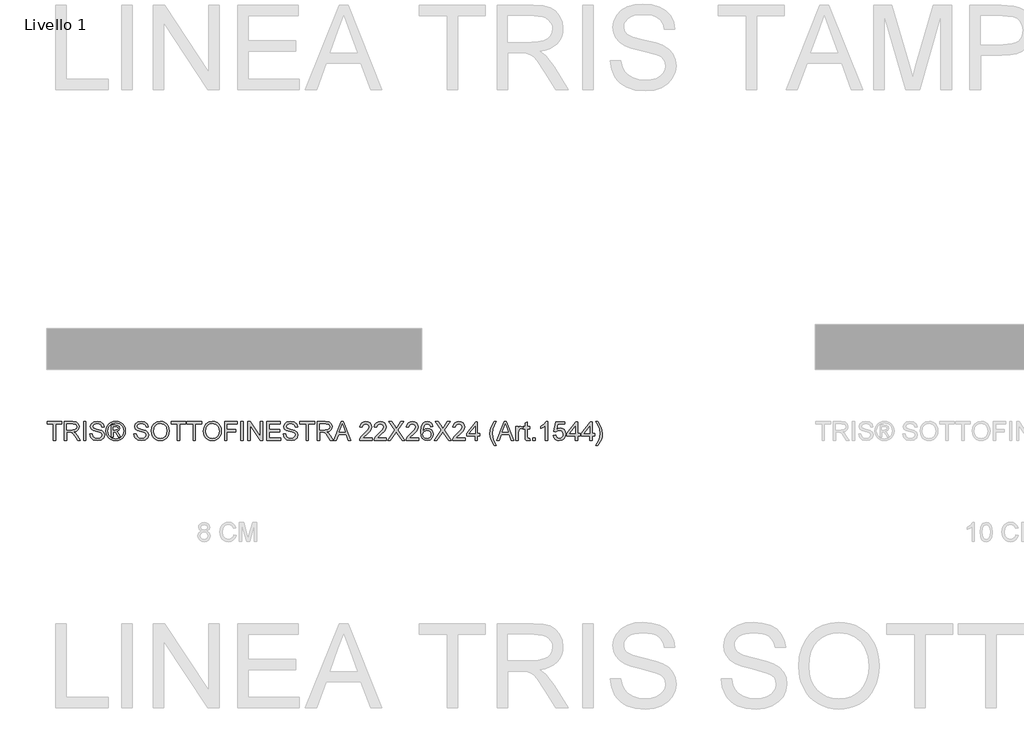
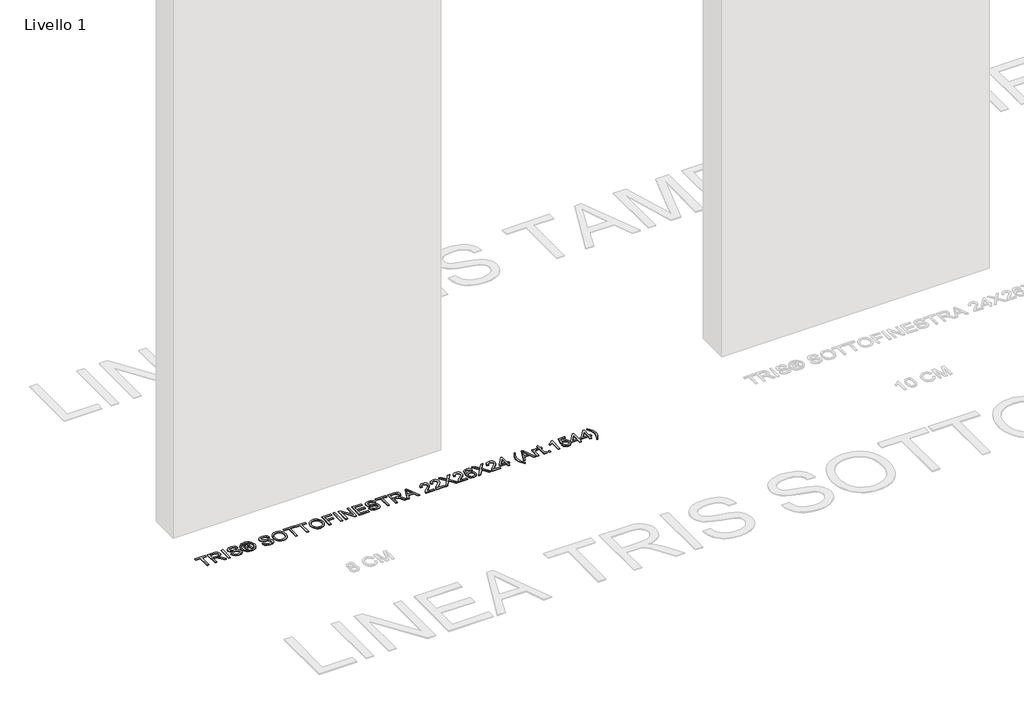
# One storey, part 5 of 16: 1 proxy.
"""IFC4 building model written with IfcOpenShell, lengths in millimetres."""

from ifc_helpers import new_model, si_unit, origin, origin_with_axes, place, context, project, spatial, polyline, outline, extrude, element, save

model = new_model("IFC4")

# Units and contexts
model_context = context("Model", 3, world=origin())
ifc_project = project(units=[si_unit("LENGTHUNIT", "METRE", prefix="MILLI")], contexts=[model_context])

# Site, building, storey
site = spatial("IfcSite", under=ifc_project)
building = spatial("IfcBuilding", under=site)
storey = spatial("IfcBuildingStorey", under=building, Name="Livello 1", Elevation=0.0)

# Proxy
placement = place(None, origin())
element("IfcBuildingElementProxy", 1, Name="100", ObjectType="100", at=placement, inside=storey, context=model_context, shape_type="SweptSolid", body=[
    extrude(outline(polyline([(-5574.7353997, 1459.0708569), (-5574.7353997, 1546.9701283), (-5607.6976265, 1546.9701283), (-5607.6976265, 1559.527167), (-5529.2161342, 1559.527167), (-5529.2161342, 1546.9701283), (-5562.1783609, 1546.9701283), (-5562.1783609, 1459.0708569), (-5574.7353997, 1459.0708569)])), origin_with_axes(), (0.0, 0.0, 1.0), 5.0),
    extrude(outline(polyline([(-5515.0894655, 1459.0708569), (-5515.0894655, 1559.527167), (-5471.8020174, 1559.527167), (-5451.7033978, 1556.817103), (-5440.7159888, 1547.2276457), (-5436.6079732, 1532.0341193), (-5438.3094275, 1522.1380936), (-5443.4137901, 1513.9343251), (-5452.0743454, 1507.9194545), (-5464.4443775, 1504.5901224), (-5457.3074668, 1499.2190453), (-5447.1293983, 1486.2941245), (-5430.3785048, 1459.0708569), (-5444.9711573, 1459.0708569), (-5458.0432308, 1479.8929778), (-5467.4855354, 1493.6762899), (-5474.119674, 1500.1878012), (-5480.0916251, 1502.5790342), (-5487.3756886, 1503.0204926), (-5502.5324268, 1503.0204926), (-5502.5324268, 1459.0708569), (-5515.0894655, 1459.0708569)]), holes=[polyline([(-5502.5324268, 1515.5775314), (-5474.4262423, 1515.5775314), (-5460.0911073, 1517.3556277), (-5451.9486524, 1523.0455359), (-5449.165012, 1531.5681354), (-5454.4747755, 1542.6291207), (-5471.2624572, 1546.9701283), (-5502.5324268, 1546.9701283), (-5502.5324268, 1515.5775314)])]), origin_with_axes(), (0.0, 0.0, 1.0), 5.0),
    extrude(outline(polyline([(-5413.0635255, 1459.0708569), (-5413.0635255, 1559.527167), (-5400.5064868, 1559.527167), (-5400.5064868, 1459.0708569), (-5413.0635255, 1459.0708569)])), origin_with_axes(), (0.0, 0.0, 1.0), 5.0),
    extrude(outline(polyline([(-5380.1012988, 1493.6027135), (-5367.54426, 1493.6027135), (-5363.4975581, 1481.033412), (-5353.6137951, 1473.0871609), (-5338.5551588, 1470.0582658), (-5325.4340343, 1472.3513969), (-5316.9604857, 1478.6544418), (-5314.1768452, 1487.0789395), (-5316.2615099, 1494.914826), (-5324.7963722, 1500.6169969), (-5343.0801073, 1505.4117256), (-5362.7617941, 1511.6044058), (-5373.4426347, 1520.9486085), (-5376.9620391, 1533.4320709), (-5372.6087688, 1547.6445786), (-5359.8923145, 1557.6754943), (-5341.2774856, 1561.0967969), (-5321.4118578, 1557.5160788), (-5308.168106, 1546.9946537), (-5303.1894363, 1531.2738298), (-5315.7464751, 1531.2738298), (-5318.0518689, 1538.7663598), (-5322.8588603, 1544.1742251), (-5340.7869762, 1548.5397581), (-5358.7641431, 1544.2232761), (-5364.4050003, 1533.7999529), (-5360.4073493, 1525.0934123), (-5339.9040594, 1518.0791289), (-5317.6839869, 1511.7760841), (-5305.5316184, 1501.5980155), (-5301.6198065, 1487.3977705), (-5306.1202295, 1472.3759224), (-5319.0696758, 1461.4130389), (-5338.0646495, 1457.5012271), (-5360.4931884, 1461.7196073), (-5374.6811707, 1474.4237988), (-5380.1012988, 1493.6027135)])), origin_with_axes(), (0.0, 0.0, 1.0), 5.0),
    extrude(outline(polyline([(-5265.51832, 1477.9064151), (-5265.51832, 1540.6916089), (-5245.2357593, 1540.6916089), (-5230.177123, 1538.9625635), (-5222.7581694, 1532.9292988), (-5219.9990545, 1523.7690371), (-5224.7569949, 1511.8496605), (-5237.3630846, 1506.1597523), (-5232.4579914, 1502.8242889), (-5223.8986036, 1490.2917756), (-5216.8597948, 1477.9064151), (-5227.4547962, 1477.9064151), (-5232.9730262, 1487.8637544), (-5242.219127, 1502.2847286), (-5250.2389545, 1504.5901224), (-5256.1005409, 1504.5901224), (-5256.1005409, 1477.9064151), (-5265.51832, 1477.9064151)]), holes=[polyline([(-5256.1005409, 1514.0079015), (-5244.1811643, 1514.0079015), (-5232.5315678, 1516.3991345), (-5229.4168336, 1522.7389675), (-5230.912887, 1527.3007043), (-5235.0699535, 1530.2928112), (-5244.9414537, 1531.2738298), (-5256.1005409, 1531.2738298), (-5256.1005409, 1514.0079015)])]), origin_with_axes(), (0.0, 0.0, 1.0), 5.0),
    extrude(outline(polyline([(-5241.9493469, 1561.0967969), (-5229.0550829, 1559.4229338), (-5216.4673873, 1554.4013446), (-5205.4094677, 1546.2650211), (-5197.1045316, 1535.2469554), (-5191.9081985, 1522.5243697), (-5190.1760874, 1509.2744865), (-5191.883673, 1496.1410993), (-5197.0064298, 1483.5227468), (-5205.2101983, 1472.544535), (-5216.160819, 1464.3315694), (-5228.7699744, 1459.2088126), (-5241.9493469, 1457.5012271), (-5255.1103252, 1459.2088126), (-5267.7133493, 1464.3315694), (-5278.673167, 1472.544535), (-5286.9045267, 1483.5227468), (-5292.0548746, 1496.1410993), (-5293.7716572, 1509.2744865), (-5292.0303491, 1522.5243697), (-5286.8064248, 1535.2469554), (-5278.4738976, 1546.2650211), (-5267.4067809, 1554.4013446), (-5254.8252167, 1559.4229338), (-5241.9493469, 1561.0967969)]), holes=[polyline([(-5241.9493469, 1551.6790178), (-5262.7714678, 1546.1975761), (-5271.7999051, 1539.5358463), (-5278.6271818, 1530.5135404), (-5284.3538782, 1509.2744865), (-5278.7375464, 1488.2193737), (-5263.0167224, 1472.5353379), (-5241.9493469, 1466.9190061), (-5220.8697085, 1472.5353379), (-5205.1856728, 1488.2193737), (-5199.5938665, 1509.2744865), (-5205.2837747, 1530.5135404), (-5212.0926573, 1539.5358463), (-5221.1394887, 1546.1975761), (-5241.9493469, 1551.6790178)])]), origin_with_axes(), (0.0, 0.0, 1.0), 5.0),
    extrude(outline(polyline([(-5144.6568219, 1493.6027135), (-5132.0997831, 1493.6027135), (-5128.0530811, 1481.033412), (-5118.1693182, 1473.0871609), (-5103.1106819, 1470.0582658), (-5089.9895574, 1472.3513969), (-5081.5160088, 1478.6544418), (-5078.7323683, 1487.0789395), (-5080.817033, 1494.914826), (-5089.3518953, 1500.6169969), (-5107.6356304, 1505.4117256), (-5127.3173172, 1511.6044058), (-5137.9981578, 1520.9486085), (-5141.5175622, 1533.4320709), (-5137.1642919, 1547.6445786), (-5124.4478376, 1557.6754943), (-5105.8330086, 1561.0967969), (-5085.9673809, 1557.5160788), (-5072.7236291, 1546.9946537), (-5067.7449594, 1531.2738298), (-5080.3019982, 1531.2738298), (-5082.607392, 1538.7663598), (-5087.4143834, 1544.1742251), (-5105.3424993, 1548.5397581), (-5123.3196661, 1544.2232761), (-5128.9605234, 1533.7999529), (-5124.9628724, 1525.0934123), (-5104.4595825, 1518.0791289), (-5082.23951, 1511.7760841), (-5070.0871414, 1501.5980155), (-5066.1753296, 1487.3977705), (-5070.6757526, 1472.3759224), (-5083.6251989, 1461.4130389), (-5102.6201725, 1457.5012271), (-5125.0487115, 1461.7196073), (-5139.2366938, 1474.4237988), (-5144.6568219, 1493.6027135)])), origin_with_axes(), (0.0, 0.0, 1.0), 5.0),
    extrude(outline(polyline([(-5052.0486609, 1507.9746368), (-5048.7009348, 1530.1885779), (-5038.6577563, 1546.9946537), (-5023.3232085, 1557.5712611), (-5004.1013742, 1561.0967969), (-4990.9250674, 1559.4413279), (-4979.109924, 1554.474921), (-4969.2997375, 1546.547064), (-4962.1383013, 1536.0072448), (-4957.7605056, 1523.3643669), (-4956.3012403, 1509.1273337), (-4957.8371477, 1494.7002281), (-4962.4448697, 1481.8795406), (-4969.8699546, 1471.3213273), (-4979.8579508, 1463.6816446), (-4991.5719266, 1459.0463314), (-5004.1749506, 1457.5012271), (-5017.5535925, 1459.2088126), (-5029.436181, 1464.3315694), (-5039.221842, 1472.4065792), (-5046.3097018, 1482.9709239), (-5052.0486609, 1507.9746368)]), holes=[polyline([(-5039.4916222, 1507.8520095), (-5036.9808276, 1492.1373169), (-5029.4484437, 1480.162758), (-5018.1268753, 1472.5843889), (-5004.248527, 1470.0582658), (-4990.1678437, 1472.6089143), (-4978.8278812, 1480.2608598), (-4971.3506796, 1492.6033008), (-4968.8582791, 1509.2254356), (-4973.1257102, 1529.9494546), (-4985.5969099, 1543.6714531), (-5004.0277978, 1548.5397581), (-5017.5351984, 1546.1945104), (-5029.019248, 1539.1587672), (-5036.8735286, 1526.6415824), (-5039.4916222, 1507.8520095)])]), origin_with_axes(), (0.0, 0.0, 1.0), 5.0),
    extrude(outline(polyline([(-4913.9212345, 1459.0708569), (-4913.9212345, 1546.9701283), (-4946.8834613, 1546.9701283), (-4946.8834613, 1559.527167), (-4868.401969, 1559.527167), (-4868.401969, 1546.9701283), (-4901.3641957, 1546.9701283), (-4901.3641957, 1459.0708569), (-4913.9212345, 1459.0708569)])), origin_with_axes(), (0.0, 0.0, 1.0), 5.0),
    extrude(outline(polyline([(-4829.1612228, 1459.0708569), (-4829.1612228, 1546.9701283), (-4862.1234496, 1546.9701283), (-4862.1234496, 1559.527167), (-4783.6419573, 1559.527167), (-4783.6419573, 1546.9701283), (-4816.604184, 1546.9701283), (-4816.604184, 1459.0708569), (-4829.1612228, 1459.0708569)])), origin_with_axes(), (0.0, 0.0, 1.0), 5.0),
    extrude(outline(polyline([(-4774.2241782, 1507.9746368), (-4770.876452, 1530.1885779), (-4760.8332736, 1546.9946537), (-4745.4987257, 1557.5712611), (-4726.2768915, 1561.0967969), (-4713.1005847, 1559.4413279), (-4701.2854413, 1554.474921), (-4691.4752547, 1546.547064), (-4684.3138186, 1536.0072448), (-4679.9360228, 1523.3643669), (-4678.4767576, 1509.1273337), (-4680.0126649, 1494.7002281), (-4684.6203869, 1481.8795406), (-4692.0454718, 1471.3213273), (-4702.033468, 1463.6816446), (-4713.7474439, 1459.0463314), (-4726.3504679, 1457.5012271), (-4739.7291098, 1459.2088126), (-4751.6116982, 1464.3315694), (-4761.3973593, 1472.4065792), (-4768.4852191, 1482.9709239), (-4774.2241782, 1507.9746368)]), holes=[polyline([(-4761.6671394, 1507.8520095), (-4759.1563448, 1492.1373169), (-4751.6239609, 1480.162758), (-4740.3023925, 1472.5843889), (-4726.4240443, 1470.0582658), (-4712.3433609, 1472.6089143), (-4701.0033984, 1480.2608598), (-4693.5261969, 1492.6033008), (-4691.0337963, 1509.2254356), (-4695.3012275, 1529.9494546), (-4707.7724271, 1543.6714531), (-4726.2033151, 1548.5397581), (-4739.7107157, 1546.1945104), (-4751.1947653, 1539.1587672), (-4759.0490459, 1526.6415824), (-4761.6671394, 1507.8520095)])]), origin_with_axes(), (0.0, 0.0, 1.0), 5.0),
    extrude(outline(polyline([(-4661.2108293, 1459.0708569), (-4661.2108293, 1559.527167), (-4593.7167459, 1559.527167), (-4593.7167459, 1546.9701283), (-4648.6537905, 1546.9701283), (-4648.6537905, 1517.1471612), (-4601.5648951, 1517.1471612), (-4601.5648951, 1504.5901224), (-4648.6537905, 1504.5901224), (-4648.6537905, 1459.0708569), (-4661.2108293, 1459.0708569)])), origin_with_axes(), (0.0, 0.0, 1.0), 5.0),
    extrude(outline(polyline([(-4574.8811877, 1459.0708569), (-4574.8811877, 1559.527167), (-4562.324149, 1559.527167), (-4562.324149, 1459.0708569), (-4574.8811877, 1459.0708569)])), origin_with_axes(), (0.0, 0.0, 1.0), 5.0),
    extrude(outline(polyline([(-4537.2100714, 1459.0708569), (-4537.2100714, 1559.527167), (-4523.7701159, 1559.527167), (-4471.2856179, 1479.9420288), (-4471.2856179, 1559.527167), (-4458.7285791, 1559.527167), (-4458.7285791, 1459.0708569), (-4472.1685347, 1459.0708569), (-4524.6530327, 1538.6805207), (-4524.6530327, 1459.0708569), (-4537.2100714, 1459.0708569)])), origin_with_axes(), (0.0, 0.0, 1.0), 5.0),
    extrude(outline(polyline([(-4436.7537613, 1459.0708569), (-4436.7537613, 1559.527167), (-4364.5507884, 1559.527167), (-4364.5507884, 1546.9701283), (-4424.1967225, 1546.9701283), (-4424.1967225, 1517.1471612), (-4367.690048, 1517.1471612), (-4367.690048, 1504.5901224), (-4424.1967225, 1504.5901224), (-4424.1967225, 1471.6278957), (-4362.9811585, 1471.6278957), (-4362.9811585, 1459.0708569), (-4436.7537613, 1459.0708569)])), origin_with_axes(), (0.0, 0.0, 1.0), 5.0),
    extrude(outline(polyline([(-4348.8544899, 1493.6027135), (-4336.2974511, 1493.6027135), (-4332.2507492, 1481.033412), (-4322.3669862, 1473.0871609), (-4307.3083499, 1470.0582658), (-4294.1872254, 1472.3513969), (-4285.7136768, 1478.6544418), (-4282.9300364, 1487.0789395), (-4285.014701, 1494.914826), (-4293.5495633, 1500.6169969), (-4311.8332984, 1505.4117256), (-4331.5149852, 1511.6044058), (-4342.1958258, 1520.9486085), (-4345.7152302, 1533.4320709), (-4341.3619599, 1547.6445786), (-4328.6455056, 1557.6754943), (-4310.0306767, 1561.0967969), (-4290.1650489, 1557.5160788), (-4276.9212971, 1546.9946537), (-4271.9426274, 1531.2738298), (-4284.4996662, 1531.2738298), (-4286.80506, 1538.7663598), (-4291.6120514, 1544.1742251), (-4309.5401673, 1548.5397581), (-4327.5173342, 1544.2232761), (-4333.1581914, 1533.7999529), (-4329.1605404, 1525.0934123), (-4308.6572506, 1518.0791289), (-4286.437178, 1511.7760841), (-4274.2848095, 1501.5980155), (-4270.3729976, 1487.3977705), (-4274.8734207, 1472.3759224), (-4287.8228669, 1461.4130389), (-4306.8178406, 1457.5012271), (-4329.2463796, 1461.7196073), (-4343.4343618, 1474.4237988), (-4348.8544899, 1493.6027135)])), origin_with_axes(), (0.0, 0.0, 1.0), 5.0),
    extrude(outline(polyline([(-4226.4233619, 1459.0708569), (-4226.4233619, 1546.9701283), (-4259.3855887, 1546.9701283), (-4259.3855887, 1559.527167), (-4180.9040964, 1559.527167), (-4180.9040964, 1546.9701283), (-4213.8663231, 1546.9701283), (-4213.8663231, 1459.0708569), (-4226.4233619, 1459.0708569)])), origin_with_axes(), (0.0, 0.0, 1.0), 5.0),
    extrude(outline(polyline([(-4166.7774278, 1459.0708569), (-4166.7774278, 1559.527167), (-4123.4899797, 1559.527167), (-4103.39136, 1556.817103), (-4092.4039511, 1547.2276457), (-4088.2959354, 1532.0341193), (-4089.9973897, 1522.1380936), (-4095.1017524, 1513.9343251), (-4103.7623077, 1507.9194545), (-4116.1323397, 1504.5901224), (-4108.995429, 1499.2190453), (-4098.8173605, 1486.2941245), (-4082.066467, 1459.0708569), (-4096.6591195, 1459.0708569), (-4109.731193, 1479.8929778), (-4119.1734976, 1493.6762899), (-4125.8076362, 1500.1878012), (-4131.7795873, 1502.5790342), (-4139.0636508, 1503.0204926), (-4154.220389, 1503.0204926), (-4154.220389, 1459.0708569), (-4166.7774278, 1459.0708569)]), holes=[polyline([(-4154.220389, 1515.5775314), (-4126.1142046, 1515.5775314), (-4111.7790695, 1517.3556277), (-4103.6366146, 1523.0455359), (-4100.8529742, 1531.5681354), (-4106.1627377, 1542.6291207), (-4122.9504194, 1546.9701283), (-4154.220389, 1546.9701283), (-4154.220389, 1515.5775314)])]), origin_with_axes(), (0.0, 0.0, 1.0), 5.0),
    extrude(outline(polyline([(-4078.019765, 1459.0708569), (-4037.9206276, 1559.527167), (-4027.2275242, 1559.527167), (-3987.1283868, 1459.0708569), (-4000.3966641, 1459.0708569), (-4011.8991078, 1490.4634538), (-4053.2735695, 1490.4634538), (-4064.7514878, 1459.0708569), (-4078.019765, 1459.0708569)]), holes=[polyline([(-4048.6627818, 1503.0204926), (-4016.48537, 1503.0204926), (-4025.5352671, 1527.7176372), (-4032.5740759, 1546.9701283), (-4038.8280698, 1529.8758782), (-4048.6627818, 1503.0204926)])]), origin_with_axes(), (0.0, 0.0, 1.0), 5.0),
    extrude(outline(polyline([(-3874.8262764, 1471.6278957), (-3874.8262764, 1459.0708569), (-3940.7507299, 1459.0708569), (-3939.4018293, 1467.7283465), (-3931.7744092, 1481.0579375), (-3916.0535853, 1495.6138018), (-3894.3730731, 1516.5340245), (-3888.952945, 1530.758795), (-3894.0665047, 1542.2735015), (-3907.4206212, 1546.9701283), (-3921.3388233, 1542.3838661), (-3926.6240613, 1529.7042), (-3939.1811001, 1531.2738298), (-3936.1368766, 1543.420067), (-3929.5548545, 1552.2921545), (-3919.7783905, 1557.7184139), (-3907.150841, 1559.527167), (-3894.431321, 1557.5160788), (-3884.6732511, 1551.4828141), (-3878.4652424, 1542.4697052), (-3876.3959062, 1531.5190845), (-3878.6277237, 1519.6119706), (-3886.0466772, 1507.3001865), (-3904.0361068, 1490.0955718), (-3918.4816065, 1478.0167797), (-3924.1469892, 1471.6278957), (-3874.8262764, 1471.6278957)])), origin_with_axes(), (0.0, 0.0, 1.0), 5.0),
    extrude(outline(polyline([(-3797.9144139, 1471.6278957), (-3797.9144139, 1459.0708569), (-3863.8388675, 1459.0708569), (-3862.4899668, 1467.7283465), (-3854.8625468, 1481.0579375), (-3839.1417228, 1495.6138018), (-3817.4612106, 1516.5340245), (-3812.0410825, 1530.758795), (-3817.1546423, 1542.2735015), (-3830.5087587, 1546.9701283), (-3844.4269608, 1542.3838661), (-3849.7121988, 1529.7042), (-3862.2692376, 1531.2738298), (-3859.2250141, 1543.420067), (-3852.6429921, 1552.2921545), (-3842.866528, 1557.7184139), (-3830.2389786, 1559.527167), (-3817.5194586, 1557.5160788), (-3807.7613887, 1551.4828141), (-3801.55338, 1542.4697052), (-3799.4840438, 1531.5190845), (-3801.7158612, 1519.6119706), (-3809.1348148, 1507.3001865), (-3827.1242443, 1490.0955718), (-3841.569744, 1478.0167797), (-3847.2351267, 1471.6278957), (-3797.9144139, 1471.6278957)])), origin_with_axes(), (0.0, 0.0, 1.0), 5.0),
    extrude(outline(polyline([(-3791.6358945, 1459.0708569), (-3752.9101832, 1513.8116978), (-3785.3573752, 1559.527167), (-3770.2987388, 1559.527167), (-3752.0272664, 1533.7999529), (-3745.8713743, 1523.7690371), (-3738.6608872, 1533.9716311), (-3720.5856185, 1559.527167), (-3705.306253, 1559.527167), (-3737.753445, 1513.664545), (-3699.0277336, 1459.0708569), (-3714.08637, 1459.0708569), (-3739.8871605, 1495.466649), (-3745.2582377, 1503.0204926), (-3751.1688751, 1494.730885), (-3776.356529, 1459.0708569), (-3791.6358945, 1459.0708569)])), origin_with_axes(), (0.0, 0.0, 1.0), 5.0),
    extrude(outline(polyline([(-3626.8247607, 1471.6278957), (-3626.8247607, 1459.0708569), (-3692.7492142, 1459.0708569), (-3691.4003136, 1467.7283465), (-3683.7728935, 1481.0579375), (-3668.0520696, 1495.6138018), (-3646.3715574, 1516.5340245), (-3640.9514293, 1530.758795), (-3646.064989, 1542.2735015), (-3659.4191055, 1546.9701283), (-3673.3373076, 1542.3838661), (-3678.6225456, 1529.7042), (-3691.1795844, 1531.2738298), (-3688.1353609, 1543.420067), (-3681.5533388, 1552.2921545), (-3671.7768748, 1557.7184139), (-3659.1493253, 1559.527167), (-3646.4298054, 1557.5160788), (-3636.6717354, 1551.4828141), (-3630.4637268, 1542.4697052), (-3628.3943905, 1531.5190845), (-3630.626208, 1519.6119706), (-3638.0451615, 1507.3001865), (-3656.0345911, 1490.0955718), (-3670.4800908, 1478.0167797), (-3676.1454735, 1471.6278957), (-3626.8247607, 1471.6278957)])), origin_with_axes(), (0.0, 0.0, 1.0), 5.0),
    extrude(outline(polyline([(-3549.9128982, 1532.8434597), (-3562.469937, 1531.2738298), (-3567.2278775, 1541.7462039), (-3579.8094417, 1546.9701283), (-3591.1402072, 1543.9289705), (-3599.7118577, 1532.5123659), (-3603.280313, 1510.1328778), (-3592.207065, 1520.1515308), (-3578.4850665, 1523.4256806), (-3566.8845209, 1521.1877318), (-3557.1479108, 1514.4738854), (-3550.544429, 1504.2161091), (-3548.3432684, 1491.3463706), (-3552.4880722, 1474.0191286), (-3563.8924141, 1461.7563955), (-3580.349002, 1457.5012271), (-3594.5952322, 1460.3216557), (-3605.9413261, 1468.7829416), (-3613.3633454, 1483.7189506), (-3615.8373518, 1505.9635486), (-3613.0904995, 1530.9733929), (-3604.8499429, 1548.0737743), (-3593.5988852, 1556.6638189), (-3579.0246268, 1559.527167), (-3568.006561, 1557.7552021), (-3559.1835245, 1552.4393073), (-3553.003107, 1543.9964155), (-3549.9128982, 1532.8434597)]), holes=[polyline([(-3603.280313, 1491.5425743), (-3600.3740452, 1480.66553), (-3592.6485233, 1472.7683299), (-3581.3300206, 1470.0582658), (-3573.0434787, 1471.4623488), (-3566.5289017, 1475.6745976), (-3562.3074558, 1482.2964735), (-3560.9003072, 1490.9294377), (-3562.2890617, 1499.2159796), (-3566.4553253, 1505.5343529), (-3573.0802669, 1509.5350696), (-3581.8450554, 1510.8686418), (-3597.0385818, 1505.5343529), (-3601.7198802, 1499.3692638), (-3603.280313, 1491.5425743)])]), origin_with_axes(), (0.0, 0.0, 1.0), 5.0),
    extrude(outline(polyline([(-3543.6343789, 1459.0708569), (-3504.9086675, 1513.8116978), (-3537.3558595, 1559.527167), (-3522.2972231, 1559.527167), (-3504.0257507, 1533.7999529), (-3497.8698587, 1523.7690371), (-3490.6593715, 1533.9716311), (-3472.5841029, 1559.527167), (-3457.3047373, 1559.527167), (-3489.7519293, 1513.664545), (-3451.0262179, 1459.0708569), (-3466.0848543, 1459.0708569), (-3491.8856449, 1495.466649), (-3497.256722, 1503.0204926), (-3503.1673594, 1494.730885), (-3528.3550133, 1459.0708569), (-3543.6343789, 1459.0708569)])), origin_with_axes(), (0.0, 0.0, 1.0), 5.0),
    extrude(outline(polyline([(-3378.823245, 1471.6278957), (-3378.823245, 1459.0708569), (-3444.7476986, 1459.0708569), (-3443.3987979, 1467.7283465), (-3435.7713779, 1481.0579375), (-3420.0505539, 1495.6138018), (-3398.3700417, 1516.5340245), (-3392.9499136, 1530.758795), (-3398.0634734, 1542.2735015), (-3411.4175898, 1546.9701283), (-3425.3357919, 1542.3838661), (-3430.6210299, 1529.7042), (-3443.1780687, 1531.2738298), (-3440.1338452, 1543.420067), (-3433.5518232, 1552.2921545), (-3423.7753591, 1557.7184139), (-3411.1478097, 1559.527167), (-3398.4282897, 1557.5160788), (-3388.6702198, 1551.4828141), (-3382.4622111, 1542.4697052), (-3380.3928749, 1531.5190845), (-3382.6246923, 1519.6119706), (-3390.0436459, 1507.3001865), (-3408.0330754, 1490.0955718), (-3422.4785751, 1478.0167797), (-3428.1439578, 1471.6278957), (-3378.823245, 1471.6278957)])), origin_with_axes(), (0.0, 0.0, 1.0), 5.0),
    extrude(outline(polyline([(-3325.4558302, 1459.0708569), (-3325.4558302, 1482.6153046), (-3370.9750958, 1482.6153046), (-3370.9750958, 1495.1723434), (-3322.3165706, 1557.9575372), (-3312.8987915, 1557.9575372), (-3312.8987915, 1495.1723434), (-3300.3417527, 1495.1723434), (-3300.3417527, 1482.6153046), (-3312.8987915, 1482.6153046), (-3312.8987915, 1459.0708569), (-3325.4558302, 1459.0708569)]), holes=[polyline([(-3325.4558302, 1495.1723434), (-3325.4558302, 1533.9716311), (-3355.524052, 1495.1723434), (-3325.4558302, 1495.1723434)])]), origin_with_axes(), (0.0, 0.0, 1.0), 5.0),
    extrude(outline(polyline([(-3221.8602604, 1430.8175197), (-3239.6902744, 1460.2726048), (-3245.1533221, 1477.4526939), (-3246.9743379, 1495.2459198), (-3241.5296844, 1525.7801254), (-3221.8602604, 1559.527167), (-3212.4424813, 1559.527167), (-3224.1901797, 1539.6370138), (-3231.253514, 1520.3599973), (-3234.4172992, 1495.1723434), (-3228.9235947, 1462.9826688), (-3212.4424813, 1430.8175197), (-3221.8602604, 1430.8175197)])), origin_with_axes(), (0.0, 0.0, 1.0), 5.0),
    extrude(outline(polyline([(-3210.0144602, 1459.0708569), (-3169.9153227, 1559.527167), (-3159.2222194, 1559.527167), (-3119.1230819, 1459.0708569), (-3132.3913592, 1459.0708569), (-3143.8938029, 1490.4634538), (-3185.2682646, 1490.4634538), (-3196.7461829, 1459.0708569), (-3210.0144602, 1459.0708569)]), holes=[polyline([(-3180.6574769, 1503.0204926), (-3148.4800651, 1503.0204926), (-3157.5299622, 1527.7176372), (-3164.568771, 1546.9701283), (-3170.8227649, 1529.8758782), (-3180.6574769, 1503.0204926)])]), origin_with_axes(), (0.0, 0.0, 1.0), 5.0),
    extrude(outline(polyline([(-3107.2772816, 1459.0708569), (-3107.2772816, 1532.8434597), (-3096.2898727, 1532.8434597), (-3096.2898727, 1521.9296271), (-3088.4907744, 1531.9850683), (-3080.6426252, 1534.4130895), (-3068.0365355, 1530.5380658), (-3072.2303902, 1519.2808768), (-3081.0595581, 1521.8560507), (-3088.1596806, 1519.3789786), (-3092.6846292, 1512.5118481), (-3094.7202429, 1497.8456192), (-3094.7202429, 1459.0708569), (-3107.2772816, 1459.0708569)])), origin_with_axes(), (0.0, 0.0, 1.0), 5.0),
    extrude(outline(polyline([(-3033.5046789, 1469.543231), (-3031.935049, 1458.7029749), (-3041.3283026, 1457.5012271), (-3051.8497277, 1459.5858917), (-3057.0981775, 1465.0550707), (-3058.6187564, 1479.3043666), (-3058.6187564, 1520.2864209), (-3068.0365355, 1520.2864209), (-3068.0365355, 1532.8434597), (-3058.6187564, 1532.8434597), (-3058.6187564, 1550.7715756), (-3046.0617176, 1558.1537409), (-3046.0617176, 1532.8434597), (-3033.5046789, 1532.8434597), (-3033.5046789, 1520.2864209), (-3046.0617176, 1520.2864209), (-3046.0617176, 1479.6722486), (-3045.3995301, 1473.1975255), (-3043.2535517, 1470.9043944), (-3038.9738579, 1470.0582658), (-3033.5046789, 1469.543231)])), origin_with_axes(), (0.0, 0.0, 1.0), 5.0),
    extrude(outline(polyline([(-3017.8083804, 1459.0708569), (-3017.8083804, 1471.6278957), (-3005.2513416, 1471.6278957), (-3005.2513416, 1459.0708569), (-3017.8083804, 1459.0708569)])), origin_with_axes(), (0.0, 0.0, 1.0), 5.0),
    extrude(outline(polyline([(-2937.7572583, 1459.0708569), (-2950.314297, 1459.0708569), (-2950.314297, 1537.3561455), (-2962.2091482, 1528.8825969), (-2975.4283746, 1522.5427638), (-2975.4283746, 1534.4130895), (-2957.0220121, 1546.1607879), (-2945.8506622, 1559.527167), (-2937.7572583, 1559.527167), (-2937.7572583, 1459.0708569)])), origin_with_axes(), (0.0, 0.0, 1.0), 5.0),
    extrude(outline(polyline([(-2907.9342912, 1485.7545643), (-2895.3772524, 1487.3241941), (-2889.0496821, 1474.3870106), (-2875.9285576, 1470.0582658), (-2866.9277115, 1471.5635163), (-2860.1832082, 1476.0792678), (-2855.9709594, 1483.0843541), (-2854.5668764, 1492.0576091), (-2859.827589, 1506.9690927), (-2866.4341364, 1511.0709769), (-2875.7323539, 1512.4382717), (-2886.756551, 1510.2555052), (-2893.8076226, 1504.5901224), (-2906.3646613, 1506.1597523), (-2895.3772524, 1557.9575372), (-2846.7187272, 1557.9575372), (-2846.7187272, 1545.4004984), (-2885.2237094, 1545.4004984), (-2890.5947865, 1517.7357724), (-2881.6245972, 1523.1804259), (-2872.2252122, 1524.9953104), (-2860.4928422, 1522.7450989), (-2850.7531664, 1515.9944643), (-2844.1956698, 1505.7060312), (-2842.0098377, 1492.8424241), (-2843.9780063, 1480.2853853), (-2849.8825123, 1469.543231), (-2861.1887523, 1460.511728), (-2875.9776085, 1457.5012271), (-2888.3108524, 1459.4356732), (-2898.1363674, 1465.2390117), (-2904.8716736, 1474.2367922), (-2907.9342912, 1485.7545643)])), origin_with_axes(), (0.0, 0.0, 1.0), 5.0),
    extrude(outline(polyline([(-2790.2120527, 1459.0708569), (-2790.2120527, 1482.6153046), (-2835.7313183, 1482.6153046), (-2835.7313183, 1495.1723434), (-2787.072793, 1557.9575372), (-2777.655014, 1557.9575372), (-2777.655014, 1495.1723434), (-2765.0979752, 1495.1723434), (-2765.0979752, 1482.6153046), (-2777.655014, 1482.6153046), (-2777.655014, 1459.0708569), (-2790.2120527, 1459.0708569)]), holes=[polyline([(-2790.2120527, 1495.1723434), (-2790.2120527, 1533.9716311), (-2820.2802745, 1495.1723434), (-2790.2120527, 1495.1723434)])]), origin_with_axes(), (0.0, 0.0, 1.0), 5.0),
    extrude(outline(polyline([(-2713.3001903, 1459.0708569), (-2713.3001903, 1482.6153046), (-2758.8194558, 1482.6153046), (-2758.8194558, 1495.1723434), (-2710.1609306, 1557.9575372), (-2700.7431515, 1557.9575372), (-2700.7431515, 1495.1723434), (-2688.1861127, 1495.1723434), (-2688.1861127, 1482.6153046), (-2700.7431515, 1482.6153046), (-2700.7431515, 1459.0708569), (-2713.3001903, 1459.0708569)]), holes=[polyline([(-2713.3001903, 1495.1723434), (-2713.3001903, 1533.9716311), (-2743.368412, 1495.1723434), (-2713.3001903, 1495.1723434)])]), origin_with_axes(), (0.0, 0.0, 1.0), 5.0),
    extrude(outline(polyline([(-2670.9201844, 1430.8175197), (-2680.3379635, 1430.8175197), (-2663.8568501, 1462.9826688), (-2658.3631457, 1495.1723434), (-2661.5269308, 1520.1392681), (-2668.5166887, 1539.4408101), (-2680.3379635, 1559.527167), (-2670.9201844, 1559.527167), (-2651.2507604, 1525.7801254), (-2645.8061069, 1495.2459198), (-2647.6363198, 1477.4526939), (-2653.1269586, 1460.2726048), (-2670.9201844, 1430.8175197)])), origin_with_axes(), (0.0, 0.0, 1.0), 5.0),
])

save(model, "model.ifc")
